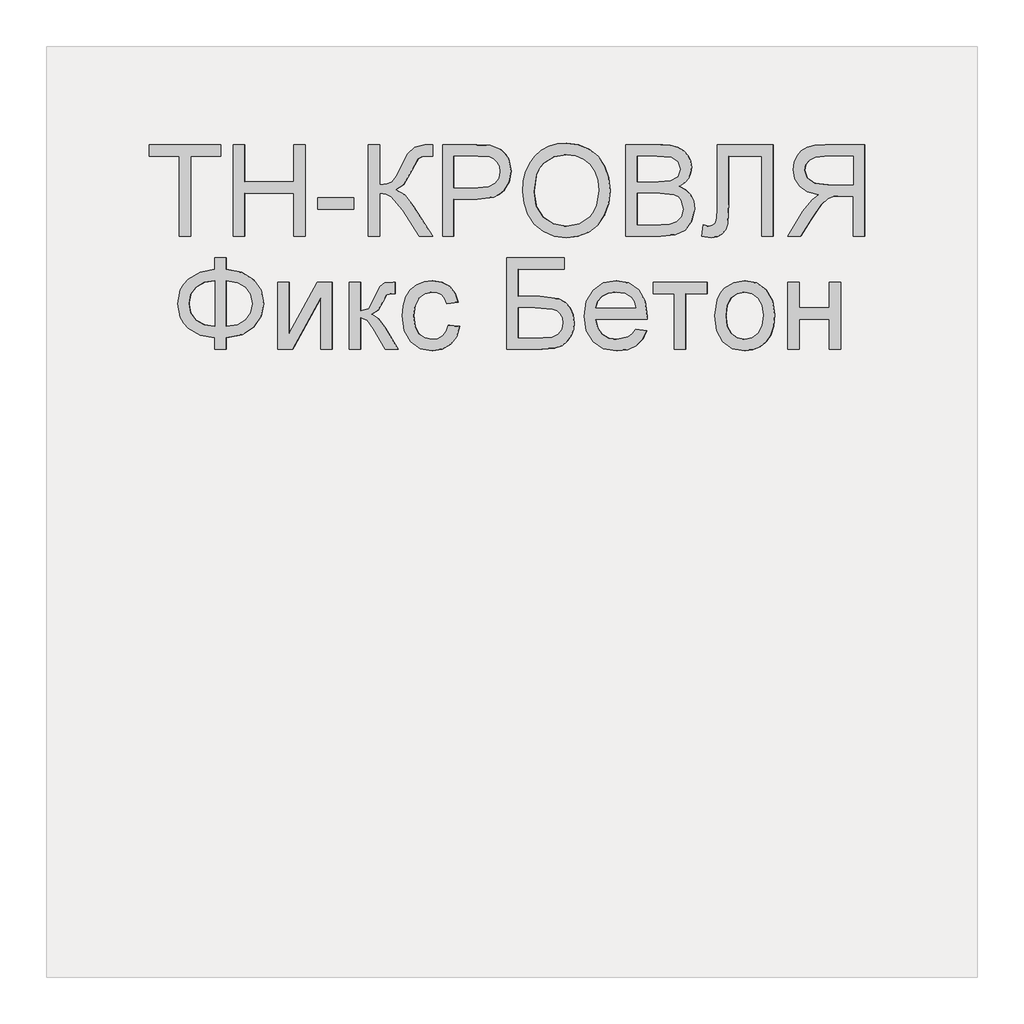
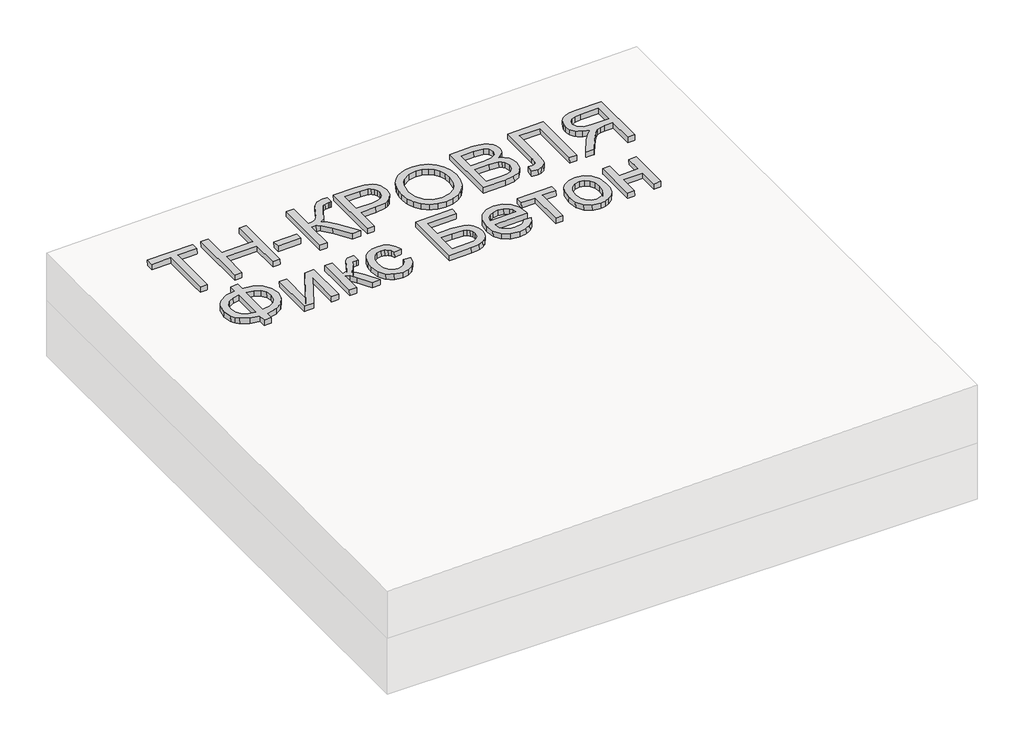
# One storey, part 3 of 3: 1 proxy.
"""IFC4 building model written with IfcOpenShell, lengths in millimetres."""

from ifc_helpers import new_model, si_unit, frame, origin, place, context, project, spatial, polyline, outline, extrude, element, save

model = new_model("IFC4")

# Units and contexts
model_context = context("Model", 3, world=origin())
ifc_project = project(units=[si_unit("LENGTHUNIT", "METRE", prefix="MILLI")], contexts=[model_context])

# Site, building, storey
site = spatial("IfcSite", under=ifc_project)
building = spatial("IfcBuilding", under=site)
storey = spatial("IfcBuildingStorey", under=building, Elevation=0.0)

# Proxy
placement = place(None, origin())
element("IfcBuildingElementProxy", 1, Name="Generic Models", at=placement, inside=storey, context=model_context, shape_type="SweptSolid", body=[
    extrude(outline(polyline([(24.6153846, 0.0), (24.6153846, -172.3076923), (89.2307693, -172.3076923), (89.2307693, -196.9230769), (-64.6153846, -196.9230769), (-64.6153846, -172.3076923), (0.0, -172.3076923), (0.0, 0.0), (24.6153846, 0.0)])), frame((46016.1383815, -4710.2316754, 175.1948557), z_axis=(-0.01999600119956399, 0.0, 0.9998000599800078), x_axis=(-0.9998000599800078, 0.0, -0.01999600119956399)), (0.0, 0.0, 1.0), 20.0),
    extrude(outline(polyline([(24.6153846, 0.0), (24.6153846, -196.9230769), (0.0, -196.9230769), (0.0, -116.9230769), (-104.6153846, -116.9230769), (-104.6153846, -196.9230769), (-129.2307692, -196.9230769), (-129.2307692, 0.0), (-104.6153846, 0.0), (-104.6153846, -92.3076923), (0.0, -92.3076923), (0.0, 0.0), (24.6153846, 0.0)])), frame((46133.0380808, -4710.2316754, 177.5328497), z_axis=(-0.01999600119956399, 0.0, 0.9998000599800078), x_axis=(-0.9998000599800078, 0.0, -0.01999600119956399)), (0.0, 0.0, 1.0), 20.0),
    extrude(outline(polyline([(76.9230769, 0.0), (76.9230769, -24.6153846), (0.0, -24.6153846), (0.0, 0.0), (76.9230769, 0.0)])), frame((46366.8374794, -4651.7701369, 182.2088377), z_axis=(-0.01999600119956399, 0.0, 0.9998000599800079), x_axis=(-0.9998000599800079, 0.0, -0.01999600119956399)), (0.0, 0.0, 1.0), 20.0),
    extrude(outline(polyline([(196.9230769, 0.0), (196.9230769, -24.6153846), (110.7692308, -24.6153846), (112.3978365, -41.2800481), (117.2836538, -52.1394231), (128.7800481, -60.9194711), (150.2403846, -71.3461538), (177.7644231, -84.9278846), (191.3942308, -100.3125), (196.9230769, -122.3076923), (196.6346154, -138.4615385), (172.0192308, -138.4615385), (172.1634615, -133.0288462), (172.3076923, -127.5961539), (170.8293269, -116.3221153), (166.3942308, -108.3653846), (141.0576923, -93.75), (110.1923077, -76.3221153), (100.0, -59.3269231), (88.8701923, -78.329327), (65.6730769, -97.0673077), (0.0, -138.4615385), (0.0, -109.9038462), (55.4807692, -74.9038462), (84.4471154, -50.2644231), (90.3425481, -38.8882211), (92.3076923, -24.6153846), (0.0, -24.6153846), (0.0, 0.0), (196.9230769, 0.0)])), frame((46397.6005582, -4710.2316754, 182.8240993), z_axis=(-0.019996001199563986, 0.0, 0.9998000599800078), x_axis=(0.0, 1.0, 0.0)), (0.0, 0.0, 1.0), 20.0),
    extrude(outline(polyline([(24.6153846, 0.0), (24.6153846, -196.9230769), (-48.3653847, -196.9230769), (-77.7884615, -195.0480769), (-101.7067307, -185.8413461), (-110.4026442, -177.6802885), (-117.2115385, -166.8028846), (-123.0769231, -139.9519231), (-119.1165866, -116.7427885), (-107.235577, -97.4038461), (-97.7208534, -89.7896635), (-85.0180289, -84.3509615), (-50.0480769, -80.0), (0.0, -80.0), (0.0, 0.0), (24.6153846, 0.0)]), holes=[polyline([(0.0, -104.6153846), (-51.4903846, -104.6153846), (-73.3173077, -106.875), (-87.7403846, -113.6538461), (-95.78125, -124.53125), (-98.4615385, -139.0865385), (-96.8810096, -150.1442308), (-92.1394231, -159.4711538), (-84.8257212, -166.4903846), (-75.5288461, -170.625), (-50.9134615, -172.3076923), (0.0, -172.3076923), (0.0, -104.6153846)])]), frame((46582.1790308, -4710.2316754, 186.5156687), z_axis=(-0.01999600119956399, 0.0, 0.9998000599800078), x_axis=(-0.9998000599800078, 0.0, -0.01999600119956399)), (0.0, 0.0, 1.0), 20.0),
    extrude(outline(polyline([(25.3428445, 0.0), (48.1160484, -4.1938573), (67.8912361, -11.3545773), (84.6684074, -21.48216), (98.4475626, -34.5766053), (108.9049086, -49.9093782), (115.7166524, -66.7519434), (118.8827941, -85.1043011), (118.4033337, -104.9664512), (112.3116986, -130.2760814), (100.0658902, -152.2136344), (82.4868293, -169.6009171), (60.3954366, -181.2597367), (34.812491, -187.0380147), (6.7587717, -186.7836729), (-21.0136463, -180.6528553), (-44.9882084, -168.8870737), (-63.9421568, -152.1247694), (-76.6527338, -131.0043835), (-83.1347827, -107.1750808), (-83.4031474, -82.2860261), (-77.165962, -56.5935492), (-64.600884, -34.5586152), (-46.7404789, -17.2511252), (-24.6173127, -5.740981), (0.0, 0.0), (25.3428445, 0.0)]), holes=[polyline([(22.3721769, -24.4366544), (-8.7890431, -25.9094147), (-33.7562618, -37.9787802), (-50.9832576, -58.3865326), (-58.9238091, -84.8744541), (-57.0179297, -112.8610054), (-44.5775814, -136.6179285), (-34.5460353, -146.3414541), (-22.1589797, -153.8699216), (9.6816594, -162.341683), (31.570013, -162.6815636), (50.9840871, -158.5364567), (67.4340475, -150.0149318), (80.43006, -137.2255581), (89.4380632, -121.0520253), (93.9239955, -102.3780231), (92.2935561, -75.5530127), (81.0850249, -51.6494364), (71.4163804, -41.5325654), (58.4080243, -33.6248113), (22.3721769, -24.4366544)])]), frame((46732.6537466, -4639.5525889, 189.525163), z_axis=(-0.019996001199563993, 0.0, 0.9998000599800079), x_axis=(-0.11095588221386112, 0.9938228553011974, -0.002219117644273191)), (0.0, 0.0, 1.0), 20.0),
    extrude(outline(polyline([(74.5673077, 0.0), (74.5673077, -196.9230769), (-0.5769231, -196.9230769), (-21.2439904, -195.4747596), (-37.3798077, -191.1298077), (-49.7475962, -183.7800481), (-59.110577, -173.3173077), (-65.0060097, -161.0096154), (-66.9711539, -148.125), (-65.3185097, -136.2680288), (-60.360577, -125.1201923), (-52.0612981, -115.3665865), (-40.3846154, -107.6923077), (-54.3329327, -100.4086538), (-64.6394231, -89.3269231), (-71.0036059, -75.1802885), (-73.125, -58.7019231), (-67.3317308, -32.2355769), (-52.9807693, -13.3894231), (-31.5625, -3.3894231), (0.0, 0.0), (74.5673077, 0.0)]), holes=[polyline([(49.951923, -116.9230769), (5.0, -116.9230769), (-21.25, -119.0384615), (-37.0432692, -128.1490385), (-42.3557693, -144.1826923), (-37.4038462, -160.2403846), (-23.2211539, -169.7355769), (8.4134615, -172.3076923), (49.951923, -172.3076923), (49.951923, -116.9230769)]), polyline([(49.951923, -24.6153846), (-0.5288462, -24.6153846), (-18.798077, -25.5769231), (-34.2548077, -30.9375), (-44.4951924, -41.875), (-48.5096154, -58.4615385), (-43.798077, -77.5961538), (-37.626202, -84.5132211), (-28.5336539, -89.0144231), (1.875, -92.3076923), (49.951923, -92.3076923), (49.951923, -24.6153846)])]), frame((47025.8883747, -4710.2316754, 195.3898556), z_axis=(-0.019996001199563986, 0.0, 0.9998000599800078), x_axis=(-0.9998000599800078, 0.0, -0.019996001199563986)), (0.0, 0.0, 1.0), 20.0),
    extrude(outline(polyline([(137.6442308, 0.0), (137.6442308, -120.0), (-59.2788461, -120.0), (-59.2788461, -95.3846153), (113.0288462, -95.3846153), (113.0288462, -24.6153846), (12.548077, -24.6153846), (-32.2836538, -21.7548077), (-44.951923, -17.3257211), (-54.4471153, -9.7596153), (-60.3786057, 0.6009616), (-62.3557692, 13.4134616), (-59.2788461, 33.8461539), (-34.6634615, 30.7692308), (-37.7403846, 18.9903846), (-36.0877403, 10.6670674), (-31.1298076, 4.7355769), (-20.0420673, 1.1838943), (0.0, 0.0), (137.6442308, 0.0)])), frame((47148.2196802, -4650.9528293, 197.8364817), z_axis=(-0.019996001199563986, 0.0, 0.9998000599800078), x_axis=(0.0, 1.0, 0.0)), (0.0, 0.0, 1.0), 20.0),
    extrude(outline(polyline([(24.6153846, -110.7692308), (0.0, -110.7692308), (0.0, -24.6153847), (-29.7115385, -24.6153847), (-43.9903846, -25.4807693), (-55.6971154, -30.1682693), (-68.7019231, -42.9326923), (-87.2115385, -69.9519231), (-112.8365385, -110.7692308), (-141.4423078, -110.7692308), (-108.6057692, -57.4038462), (-88.6538462, -32.0673077), (-74.6634616, -21.5384616), (-98.9122596, -15.0120193), (-115.8894231, -3.2211539), (-125.8954327, 12.8605769), (-129.2307693, 32.2596153), (-127.2175481, 47.8545673), (-121.1778846, 62.0432692), (-111.766827, 73.4855769), (-99.6394231, 80.8413461), (-83.046875, 84.8257211), (-60.2403847, 86.1538461), (24.6153846, 86.1538461), (24.6153846, -110.7692308)]), holes=[polyline([(0.0, 0.0), (0.0, 61.5384615), (-61.2980769, 61.5384615), (-80.7752404, 59.4110577), (-94.2067308, 53.0288461), (-102.0132212, 43.3533653), (-104.6153846, 31.3461538), (-99.1586539, 14.639423), (-83.1971154, 3.4855769), (-55.0961539, 0.0), (0.0, 0.0)])]), frame((47440.4689285, -4599.4624446, 203.6814667), z_axis=(-0.019996001199563986, 0.0, 0.9998000599800078), x_axis=(0.9998000599800078, 0.0, 0.019996001199563986)), (0.0, 0.0, 1.0), 20.0),
    extrude(outline(polyline([(32.11859, 0.0), (36.7519369, 24.1753853), (60.9273222, 19.5420385), (56.2939754, -4.6333468), (87.6148258, -17.4160051), (109.5280743, -37.8433681), (120.9940262, -63.5500494), (120.9729867, -92.1706626), (110.661861, -118.3540802), (90.9860692, -138.1657013), (63.1839628, -149.3585521), (28.4938942, -149.6856589), (23.8605474, -173.8610443), (-0.314838, -169.2276974), (4.3185089, -145.0523121), (-25.4457783, -133.2471859), (-47.8187513, -113.3986842), (-55.605473, -100.9487306), (-60.2883223, -87.4690587), (-60.3424034, -57.4205612), (-49.1830553, -29.4293946), (-39.8762666, -18.6630394), (-28.0847347, -10.0495029), (0.0, 0.0), (32.11859, 0.0)]), holes=[polyline([(27.4852432, -24.1753853), (4.7457079, -23.831286), (-14.458743, -30.1368416), (-28.6065283, -42.9431041), (-36.1760676, -62.1011255), (-36.2451499, -82.5436765), (-27.9820596, -99.6757027), (-12.5339925, -112.7143907), (8.9518558, -120.8769267), (27.4852432, -24.1753853)]), polyline([(51.6606285, -28.8087322), (33.1272411, -125.5102736), (56.5102618, -125.8492016), (75.6077342, -119.4313581), (89.3802879, -106.5715373), (96.7885519, -87.5845333), (96.9393338, -67.4819472), (89.0842336, -50.5198993), (73.7993117, -37.3962182), (51.6606285, -28.8087322)])]), frame((46036.8974512, -4787.0465793, 175.6100371), z_axis=(-0.01999600119956399, 0.0, 0.9998000599800078), x_axis=(0.9819286636062027, 0.1882297161140442, 0.019638573272088535)), (0.0, 0.0, 1.0), 20.0),
    extrude(outline(polyline([(144.6153846, 0.0), (144.6153846, -24.6153846), (34.3269231, -24.6153846), (144.6153846, -85.0961538), (144.6153846, -116.9230769), (0.0, -116.9230769), (0.0, -92.3076923), (109.6153846, -92.3076923), (0.0, -32.2115385), (0.0, 0.0), (144.6153846, 0.0)])), frame((46203.793162, -4953.3085985, 178.9479513), z_axis=(-0.019996001199563986, 0.0, 0.9998000599800078), x_axis=(0.0, 1.0, 0.0)), (0.0, 0.0, 1.0), 20.0),
    extrude(outline(polyline([(144.6153846, 0.0), (144.6153846, -24.6153846), (83.0769231, -24.6153846), (87.5, -41.1057693), (113.2692308, -54.6153846), (135.5048077, -65.8413461), (142.7403846, -75.7451923), (144.6153846, -93.75), (144.6153846, -98.4615385), (119.8557692, -98.4615385), (120.0, -91.8269231), (117.4038462, -79.8076924), (101.2019231, -71.3461539), (83.6778846, -61.4182693), (75.0961539, -47.5000001), (65.5168269, -63.0288462), (45.3365385, -78.2692308), (0.0, -104.6153846), (0.0, -76.6346154), (44.375, -50.8173077), (63.1490385, -37.8365384), (67.6923077, -24.6153846), (0.0, -24.6153846), (0.0, 0.0), (144.6153846, 0.0)])), frame((46357.6085558, -4953.3085985, 182.0242592), z_axis=(-0.019996001199563986, 0.0, 0.9998000599800078), x_axis=(0.0, 1.0, 0.0)), (0.0, 0.0, 1.0), 20.0),
    extrude(outline(polyline([(14.2739448, 1e-07), (18.5774162, -24.4308155), (-4.3658123, -24.3147238), (-23.9730045, -16.8581343), (-39.1287659, -2.9877765), (-48.7177025, 16.3696197), (-51.7999354, 42.8176799), (-43.9550055, 66.6568587), (-25.3354265, 86.2178676), (3.9062883, 99.8314183), (25.3948449, 104.4802097), (45.1992054, 104.6740484), (62.6451939, 100.1110146), (77.0586344, 90.4891883), (88.0614871, 77.0566736), (95.2757118, 61.0615745), (98.5250521, 40.2990925), (94.8035116, 21.7539991), (84.4149332, 6.0732077), (67.6631596, -6.0963686), (57.4783633, 16.5234134), (66.4279038, 23.9512855), (71.7390475, 32.8620536), (73.5020103, 42.8810606), (71.8070078, 53.6336492), (64.2193556, 67.9417387), (51.7849492, 77.324077), (34.3582431, 80.5788394), (11.793692, 76.5042013), (-9.4649736, 67.1472584), (-22.146962, 54.8097826), (-27.1652793, 40.2921827), (-25.4329315, 24.394867), (-19.8783047, 12.7682799), (-11.392372, 4.4463754), (0.0, 0.0), (14.2739448, 1e-07)])), frame((46565.6739181, -4914.6427331, 186.1855665), z_axis=(-0.01999600119956399, 0.0, 0.9998000599800079), x_axis=(0.2942340972928861, 0.9557152643484548, 0.0058846819458470935)), (0.0, 0.0, 1.0), 20.0),
    extrude(outline(polyline([(196.9230769, 0.0), (196.9230769, -123.076923), (172.3076923, -123.076923), (172.3076923, -24.6153846), (113.8461539, -24.6153846), (113.8461539, -70.7211538), (108.8461539, -111.3461539), (101.6225962, -124.9399038), (89.9519231, -135.5288461), (74.9278846, -142.34375), (57.6442308, -144.6153846), (43.1310096, -142.9987981), (29.5913462, -138.1490384), (17.734375, -130.0901442), (8.2692308, -118.8461538), (2.0673077, -101.5024038), (0.0, -75.1442307), (0.0, 0.0), (196.9230769, 0.0)]), holes=[polyline([(24.6153846, -24.6153846), (24.6153846, -77.3557692), (26.6466346, -95.9975962), (32.7403846, -109.326923), (42.8966346, -117.3317307), (57.1153846, -120.0), (67.7043269, -118.4735576), (76.3942308, -113.8942307), (82.8365385, -106.592548), (86.6826923, -96.8990384), (89.2307692, -59.8076923), (89.2307692, -24.6153846), (24.6153846, -24.6153846)])]), frame((46696.0024223, -4953.3085985, 188.7921365), z_axis=(-0.019996001199563986, 0.0, 0.9998000599800078), x_axis=(0.0, 1.0, 0.0)), (0.0, 0.0, 1.0), 20.0),
    extrude(outline(polyline([(11.9224287, 0.0), (23.3787355, -21.4639267), (3.5155617, -24.89481), (-15.6006829, -21.4439824), (-33.3578566, -11.0602868), (-49.1438178, 6.3074342), (-61.8818962, 32.6831315), (-62.817042, 59.2687891), (-51.9168669, 84.3778669), (-29.1489827, 106.3238249), (-0.0288864, 121.1343701), (27.9674233, 123.4461985), (52.9457848, 114.2880645), (73.0120365, 94.6887223), (84.3959089, 69.9827893), (84.4955819, 43.8580616), (72.9280669, 18.4744469), (49.3103756, -4.0081468), (43.8159315, -7.7297065), (-20.1983856, 82.4925626), (-32.7600612, 68.3554763), (-38.079999, 52.4447664), (-36.6070543, 35.9746352), (-28.7900825, 20.1592846), (-10.6288614, 3.4526148), (0.0, 0.0), (11.9224287, 0.0)]), holes=[polyline([(-0.1228525, 96.7365132), (49.7309746, 26.4721471), (58.4107366, 36.7128099), (62.2212823, 47.4187827), (60.9747524, 64.1306142), (52.8808629, 80.5231918), (41.4022309, 92.7236591), (27.8314968, 99.9175416), (13.5345169, 101.4675797), (-0.1228525, 96.7365132)])]), frame((46965.6840682, -4919.9552331, 194.1857695), z_axis=(-0.01999600119956399, 0.0, 0.9998000599800079), x_axis=(0.5785447954002492, 0.8155685342650062, 0.011570895907984066)), (0.0, 0.0, 1.0), 20.0),
    extrude(outline(polyline([(24.6153846, 0.0), (24.6153846, -116.9230769), (0.0, -116.9230769), (0.0, -70.7692308), (-120.0, -70.7692308), (-120.0, -46.1538462), (0.0, -46.1538462), (0.0, 0.0), (24.6153846, 0.0)])), frame((47009.7858257, -4833.3085985, 195.0678046), z_axis=(-0.019996001199563986, 0.0, 0.9998000599800078), x_axis=(0.0, 1.0, 0.0)), (0.0, 0.0, 1.0), 20.0),
    extrude(outline(polyline([(32.567166, 0.0), (66.3756558, -10.0548095), (78.8838583, -18.5052064), (88.4613657, -29.2375981), (97.6493261, -50.4330578), (98.3741514, -74.3884679), (90.0009116, -99.3354124), (72.6856708, -117.7907263), (47.8333955, -128.0195983), (16.8490523, -128.2872164), (-7.510343, -122.9013502), (-25.441205, -114.3768481), (-38.1401425, -102.7240242), (-46.8037641, -87.9531932), (-51.1686244, -71.2292642), (-50.9712784, -53.7171463), (-42.5730516, -28.4581811), (-25.3146823, -10.019263), (0.0, 0.0), (32.567166, 0.0)]), holes=[polyline([(29.2398792, -24.3895189), (6.7820621, -24.156784), (-10.1111098, -30.4456966), (-21.2858449, -41.8821547), (-26.588351, -57.0920559), (-25.5887935, -73.1014407), (-17.8837037, -87.1268409), (-3.1255027, -97.7967093), (19.0333893, -103.7394986), (40.8507691, -103.8653881), (57.5370536, -97.4932374), (68.7109647, -86.0627322), (73.9912241, -71.0135582), (73.0313183, -54.9368589), (65.4188174, -40.9000065), (50.9046835, -30.2639203), (29.2398792, -24.3895189)])]), frame((47146.5313159, -4913.2605216, 197.8027144), z_axis=(-0.01999600119956399, 0.0, 0.9998000599800079), x_axis=(-0.13707829158736495, 0.9905564223164067, -0.0027415658317423226)), (0.0, 0.0, 1.0), 20.0),
    extrude(outline(polyline([(144.6153846, 0.0), (144.6153846, -24.6153846), (89.2307692, -24.6153846), (89.2307692, -89.2307693), (144.6153846, -89.2307693), (144.6153846, -113.8461539), (0.0, -113.8461539), (0.0, -89.2307693), (64.6153846, -89.2307693), (64.6153846, -24.6153846), (0.0, -24.6153846), (0.0, 0.0), (144.6153846, 0.0)])), frame((47298.9587661, -4953.3085985, 200.8512634), z_axis=(-0.019996001199563986, 0.0, 0.9998000599800078), x_axis=(0.0, 1.0, 0.0)), (0.0, 0.0, 1.0), 20.0),
])

save(model, "model.ifc")
